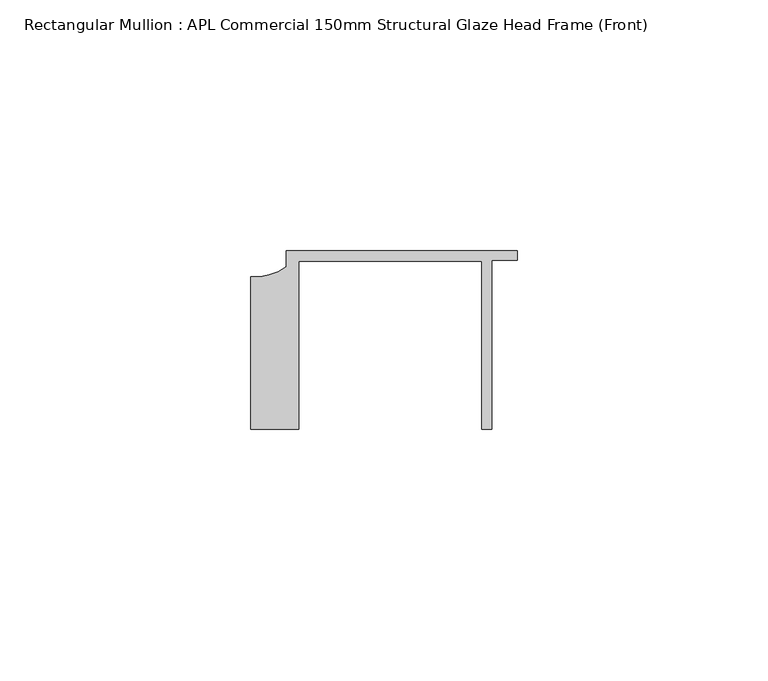
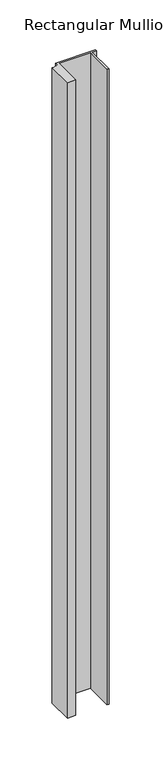
"""IFC4 building model written with IfcOpenShell, lengths in millimetres: member geometry, Rectangular Mullion : APL Commercial 150mm Structural Glaze Head Frame (Front)."""

from ifc_helpers import new_model, si_unit, point, frame, frame_2d, origin, place, context, project, spatial, polyline, circle_curve, trimmed, segment, composite_curve, outline, extrude, source, transform, mapped, element, save


def rectangular_mullion_apl_commercial_150mm_structural_glaze_17553dfe(model_context):
    return source(origin(), model_context, "Body", "SweptSolid", [
        extrude(outline(composite_curve([segment(polyline([(-52.9999542, -15.0), (-52.9999542, 15.3798304)]), True, "CONTINUOUS"), segment(trimmed(circle_curve(frame_2d((-52.109817, 25.7982641)), 10.4563907), [point((-52.9999542, 15.3798304))], [point((-45.9999994, 17.3126154))], True, "CARTESIAN"), True, "CONTINUOUS"), segment(polyline([(-45.9999994, 17.3126154), (-45.9999994, 20.5002486), (0.0, 20.5002486), (0.0, 18.7002486), (-5.0, 18.7002486), (-5.0, -15.0), (-7.0, -15.0), (-7.0, 18.5002486), (-43.5000151, 18.5002486), (-43.5000151, -15.0), (-52.9999542, -15.0)]), True, "CONTINUOUS")], self_intersect=False)), frame((0.0, 0.0, -777.4587931), z_axis=(0.0, 0.0, 1.0), x_axis=(1.0, 0.0, 0.0)), (0.0, 0.0, 1.0), 777.4587931),
    ])


if __name__ == "__main__":
    model = new_model("IFC4")
    model_context = context("Model", 3, world=origin())
    ifc_project = project(units=[si_unit("LENGTHUNIT", "METRE", prefix="MILLI")], contexts=[model_context])
    site = spatial("IfcSite", under=ifc_project)
    building = spatial("IfcBuilding", under=site)
    placement = place(None, origin())
    rectangular_mullion_apl_commercial_150mm_structural_glaze_shape = rectangular_mullion_apl_commercial_150mm_structural_glaze_17553dfe(model_context)
    element("IfcMember", 1, ObjectType="Rectangular Mullion : APL Commercial 150mm Structural Glaze Head Frame (Front)", at=placement, inside=building, context=model_context, shape_type="MappedRepresentation", body=[
        mapped(rectangular_mullion_apl_commercial_150mm_structural_glaze_shape, transform((0.0, 0.0, 0.0), x_axis=(1.0, 0.0, 0.0), y_axis=(0.0, 1.0, 0.0), z_axis=(0.0, 0.0, 1.0))),
    ])
    save(model, "model.ifc")
